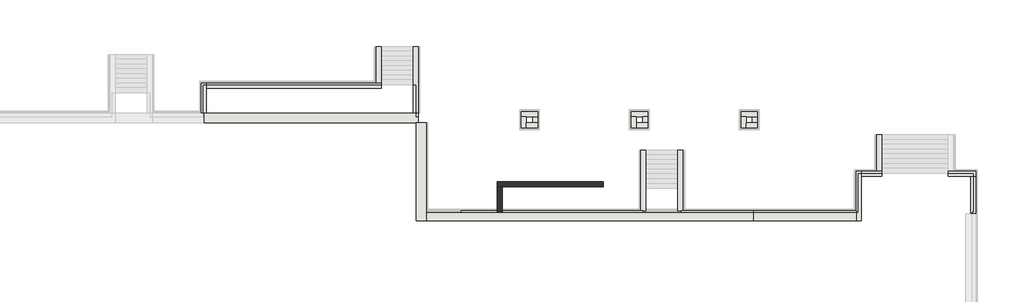
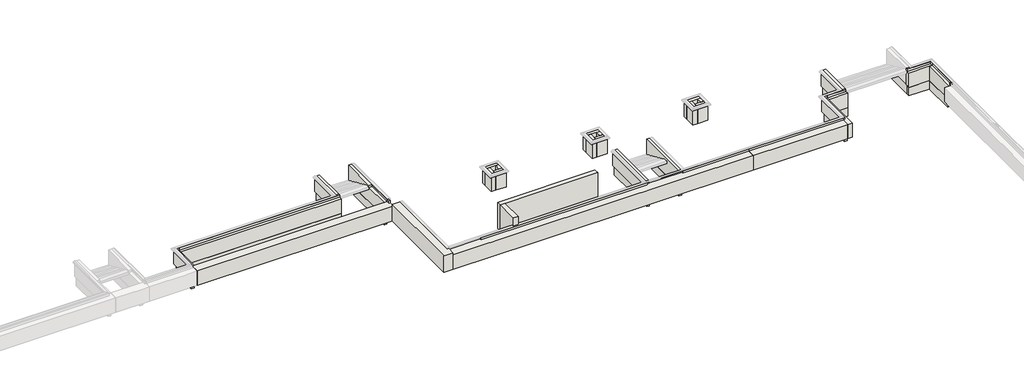
# One storey, part 3 of 10: 41 walls.
"""IFC4 building model written with IfcOpenShell, lengths in millimetres."""

from ifc_helpers import new_model, si_unit, frame, origin, place, context, project, spatial, polyline, outline, extrude, faceted_brep, element, save

model = new_model("IFC4")

# Units and contexts
model_context = context("Model", 3, world=origin())
ifc_project = project(units=[si_unit("LENGTHUNIT", "METRE", prefix="MILLI")], contexts=[model_context])

# Site, building, storey
site = spatial("IfcSite", under=ifc_project)
building = spatial("IfcBuilding", under=site)
storey = spatial("IfcBuildingStorey", under=building, Elevation=-1200.0)

# Walls
placement = place(None, origin())
element("IfcWall", 1, at=placement, inside=storey, context=model_context, shape_type="Brep", body=[
    faceted_brep([(14710.0112841, 6393.1079487, -1200.0), (14710.0112841, 878.1079487, -1200.0), (14710.0112841, 268.1079487, -1200.0), (14710.0112841, 268.1079487, 0.0), (14710.0112841, 318.1079487, 0.0), (14710.0112841, 828.1079487, 0.0), (14710.0112841, 6393.1079487, 0.0), (15320.0112841, 268.1079487, -1200.0), (15320.0112841, 878.1079487, -1200.0), (15320.0112841, 6393.1079487, -1200.0), (15320.0112841, 6393.1079487, -1100.0), (15320.0112841, 6393.1079487, -150.0), (15320.0112841, 6393.1079487, 0.0), (15320.0112841, 878.1079487, 0.0), (15320.0112841, 778.1079487, 0.0), (15320.0112841, 268.1079487, 0.0), (15320.0112841, 268.1079487, -160.0), (14810.0112841, 6393.1079487, -1200.0), (14810.0112841, 268.1079487, 0.0), (15010.0112841, 268.1079487, 0.0), (15220.0112841, 6393.1079487, 0.0)], [[[0, 1, 2, 3, 4, 5, 6]], [[7, 8, 9, 10, 11, 12, 13, 14, 15, 16]], [[2, 1, 0, 17, 9, 8, 7]], [[6, 5, 4, 3, 18, 19, 15, 14, 13, 12, 20]], [[0, 6, 20, 12, 11, 10, 9, 17]], [[3, 2, 7, 16, 15, 19, 18]]]),
])
element("IfcWall", 2, at=placement, inside=storey, context=model_context, shape_type="Brep", body=[
    faceted_brep([(15320.0112841, 268.1079487, -1200.0), (20720.0112841, 268.1079487, -1200.0), (21430.0112841, 268.1079487, -1200.0), (35865.0112841, 268.1079487, -1200.0), (35865.0112841, 268.1079487, -160.0), (15320.0112841, 268.1079487, -160.0), (35865.0112841, 878.1079487, -1200.0), (31320.0112841, 878.1079487, -1200.0), (31120.0112841, 878.1079487, -1200.0), (29120.0112841, 878.1079487, -1200.0), (28920.0112841, 878.1079487, -1200.0), (21430.0112841, 878.1079487, -1200.0), (20720.0112841, 878.1079487, -1200.0), (15320.0112841, 878.1079487, -1200.0), (15320.0112841, 878.1079487, -160.0), (17530.0112841, 878.1079487, -160.0), (17530.0112841, 878.1079487, -150.0), (17530.0112841, 878.1079487, 0.0), (19790.0112841, 878.1079487, 0.0), (20100.0112841, 878.1079487, 0.0), (28810.0112841, 878.1079487, 0.0), (28910.0112841, 878.1079487, 0.0), (28910.0112841, 878.1079487, -150.0), (28910.0112841, 878.1079487, -160.0), (31330.0112841, 878.1079487, -160.0), (31330.0112841, 878.1079487, -150.0), (31330.0112841, 878.1079487, 0.0), (31430.0112841, 878.1079487, 0.0), (35865.0112841, 878.1079487, 0.0), (35865.0112841, 878.1079487, -150.0), (35865.0112841, 878.1079487, -1100.0), (35865.0112841, 793.1079487, 0.0), (35865.0112841, 793.1079487, -160.0), (17530.0112841, 793.1079487, 0.0), (28910.0112841, 793.1079487, 0.0), (31330.0112841, 793.1079487, 0.0), (28910.0112841, 793.1079487, -160.0), (17530.0112841, 793.1079487, -160.0), (31330.0112841, 793.1079487, -160.0)], [[[0, 1, 2, 3, 4, 5]], [[6, 7, 8, 9, 10, 11, 12, 13, 14, 15, 16, 17, 18, 19, 20, 21, 22, 23, 24, 25, 26, 27, 28, 29, 30]], [[3, 2, 1, 0, 13, 12, 11, 10, 9, 8, 7, 6]], [[3, 6, 30, 29, 28, 31, 32, 4]], [[21, 20, 19, 18, 17, 33, 34]], [[28, 27, 26, 35, 31]], [[36, 37, 15, 14, 5, 4, 32, 38, 24, 23]], [[37, 36, 34, 33]], [[37, 33, 17, 16, 15]], [[34, 36, 23, 22, 21]], [[38, 35, 26, 25, 24]], [[35, 38, 32, 31]], [[13, 0, 5, 14]]]),
])
element("IfcWall", 3, at=placement, inside=storey, context=model_context, shape_type="Brep", body=[
    faceted_brep([(35865.0112841, 268.1079487, -1200.0), (42322.0213854, 268.1079487, -1200.0), (42322.0213854, 268.1079487, -160.0), (35865.0112841, 268.1079487, -160.0), (42322.0213854, 878.1079487, -1200.0), (35865.0112841, 878.1079487, -1200.0), (35865.0112841, 878.1079487, -1100.0), (35865.0112841, 878.1079487, -150.0), (35865.0112841, 878.1079487, 0.0), (42322.0213854, 878.1079487, 0.0), (42322.0213854, 878.1079487, -150.0), (42322.0213854, 878.1079487, -1100.0), (35865.0112841, 793.1079487, 0.0), (42322.0213854, 793.1079487, 0.0), (35865.0112841, 793.1079487, -160.0), (42322.0213854, 793.1079487, -160.0)], [[[0, 1, 2, 3]], [[4, 5, 6, 7, 8, 9, 10, 11]], [[1, 0, 5, 4]], [[9, 8, 12, 13]], [[5, 0, 3, 14, 12, 8, 7, 6]], [[15, 14, 3, 2]], [[1, 4, 11, 10, 9, 13, 15, 2]], [[14, 15, 13, 12]]]),
])
element("IfcWall", 4, at=placement, inside=storey, context=model_context, shape_type="Brep", body=[
    faceted_brep([(48106.0163347, 3048.1270954, -1800.0), (49510.0112841, 3048.1270954, -1800.0), (49510.0112841, 3048.1270954, -1200.0), (48106.0163347, 3048.1270954, -1200.0), (48106.0163347, 3248.1270954, -1800.0), (48106.0163347, 3248.1270954, -1200.0), (48306.0163347, 3248.1270954, -1200.0), (49510.0112841, 3248.1270954, -1200.0), (49510.0112841, 3248.1270954, -1800.0), (48306.0163347, 3248.1270954, -1800.0)], [[[0, 1, 2, 3]], [[4, 5, 6, 7, 8, 9]], [[1, 0, 4, 9, 8]], [[3, 2, 7, 6, 5]], [[2, 1, 8, 7]], [[0, 3, 5, 4]]]),
])
element("IfcWall", 5, at=placement, inside=storey, context=model_context, shape_type="Brep", body=[
    faceted_brep([(49820.0112841, 3048.1270954, 0.0), (49720.0112841, 3048.1270954, 0.0), (49707.0213854, 3048.1270954, 0.0), (49707.0213854, 3048.1270954, -160.0), (49510.0112841, 3048.1270954, -160.0), (48106.0163347, 3048.1270954, -160.0), (48106.0163347, 3048.1270954, -1200.0), (49510.0112841, 3048.1270954, -1200.0), (49710.0112841, 3048.1270954, -1200.0), (49710.0112841, 3048.1270954, -1100.0), (49820.0112841, 3048.1270954, -1105.5), (49820.0112841, 3048.1270954, -150.0), (49820.0112841, 3358.1270954, -1105.5), (48416.0163347, 3358.1270954, -1105.5), (48306.0163347, 3358.1270954, -1100.0), (48306.0163347, 3358.1270954, -1200.0), (48106.0163347, 3358.1270954, -1200.0), (48106.0163347, 3358.1270954, 0.0), (48316.0163347, 3358.1270954, 0.0), (48416.0163347, 3358.1270954, 0.0), (49820.0112841, 3358.1270954, 0.0), (49820.0112841, 3358.1270954, -150.0), (48306.0163347, 3248.1270954, -1200.0), (49510.0112841, 3248.1270954, -1200.0), (49710.0112841, 3248.1270954, -1200.0), (48106.0163347, 3248.1270954, -1200.0), (48106.0163347, 3248.1079487, 0.0), (49707.0213854, 3248.1079487, 0.0), (48306.0163347, 3248.1270954, -1100.0), (49710.0112841, 3248.1270954, -1100.0), (49707.0213854, 3248.1079487, -160.0), (48106.0163347, 3248.1079487, -160.0)], [[[0, 1, 2, 3, 4, 5, 6, 7, 8, 9, 10, 11]], [[12, 13, 14, 15, 16, 17, 18, 19, 20, 21]], [[22, 23, 24, 8, 7, 6, 25, 16, 15]], [[1, 0, 20, 19, 18, 17, 26, 27, 2]], [[28, 29, 24, 23, 22]], [[29, 28, 13, 12]], [[13, 28, 14]], [[28, 22, 15, 14]], [[20, 0, 11, 10, 12, 21]], [[24, 29, 9, 8]], [[29, 12, 10, 9]], [[3, 30, 31, 5, 4]], [[30, 27, 26, 31]], [[27, 30, 3, 2]], [[17, 16, 25, 6, 5, 31, 26]]]),
])
element("IfcWall", 6, at=placement, inside=storey, context=model_context, shape_type="Brep", body=[
    faceted_brep([(42632.0213854, 878.1079487, -1800.0), (42632.0213854, 3048.1270954, -1800.0), (42632.0213854, 3248.1270954, -1800.0), (42632.0213854, 3248.1270954, -1200.0), (42632.0213854, 3048.1270954, -1200.0), (42632.0213854, 878.1079487, -1200.0), (42432.0213854, 878.1079487, -1800.0), (42432.0213854, 878.1079487, -1200.0), (42432.0213854, 3248.1270954, -1200.0), (42432.0213854, 3248.1270954, -1800.0)], [[[0, 1, 2, 3, 4, 5]], [[6, 7, 8, 9]], [[2, 1, 0, 6, 9]], [[5, 4, 3, 8, 7]], [[3, 2, 9, 8]], [[0, 5, 7, 6]]]),
])
element("IfcWall", 7, at=placement, inside=storey, context=model_context, shape_type="Brep", body=[
    faceted_brep([(42632.0213854, 3358.1270954, -150.0), (42632.0213854, 3358.1270954, 0.0), (42632.0213854, 3258.1270954, 0.0), (42632.0213854, 3248.1079487, 0.0), (42632.0213854, 3248.1079487, -160.0), (42632.0213854, 3048.1270954, -160.0), (42632.0213854, 268.1079487, -160.0), (42632.0213854, 268.1079487, -1200.0), (42632.0213854, 878.1079487, -1200.0), (42632.0213854, 3048.1270954, -1200.0), (42632.0213854, 3248.1270954, -1200.0), (42632.0213854, 3248.1270954, -1100.0), (42632.0213854, 3358.1270954, -1105.5), (42322.0213854, 3358.1270954, -1105.5), (42322.0213854, 988.1079487, -1105.5), (42322.0213854, 878.1079487, -1100.0), (42322.0213854, 878.1079487, -1200.0), (42322.0213854, 268.1079487, -1200.0), (42322.0213854, 268.1079487, -160.0), (42322.0213854, 793.1079487, -160.0), (42322.0213854, 793.1079487, 0.0), (42322.0213854, 878.1079487, 0.0), (42322.0213854, 3358.1270954, 0.0), (42322.0213854, 3358.1270954, -150.0), (42432.0213854, 878.1079487, -1200.0), (42432.0213854, 3248.1270954, -1200.0), (42432.0213854, 793.1079487, 0.0), (42432.0213854, 3248.1079487, 0.0), (42432.0213854, 878.1079487, -1100.0), (42432.0213854, 3248.1270954, -1100.0), (42432.0213854, 3248.1079487, -160.0), (42432.0213854, 793.1079487, -160.0)], [[[0, 1, 2, 3, 4, 5, 6, 7, 8, 9, 10, 11, 12]], [[13, 14, 15, 16, 17, 18, 19, 20, 21, 22, 23]], [[24, 25, 10, 9, 8, 7, 17, 16]], [[1, 22, 21, 20, 26, 27, 3, 2]], [[28, 29, 25, 24]], [[29, 28, 14, 13]], [[22, 1, 0, 12, 13, 23]], [[25, 29, 11, 10]], [[29, 13, 12, 11]], [[14, 28, 15]], [[28, 24, 16, 15]], [[17, 7, 6, 18]], [[30, 31, 19, 18, 6, 5, 4]], [[31, 30, 27, 26]], [[27, 30, 4, 3]], [[31, 26, 20, 19]]]),
])
element("IfcWall", 8, at=placement, inside=storey, context=model_context, shape_type="Brep", body=[
    faceted_brep([(43926.0163347, 3248.1270954, -1800.0), (43726.0163347, 3248.1270954, -1800.0), (42632.0213854, 3248.1270954, -1800.0), (42632.0213854, 3248.1270954, -1200.0), (43726.0163347, 3248.1270954, -1200.0), (43926.0163347, 3248.1270954, -1200.0), (43926.0163347, 3048.1270954, -1800.0), (43926.0163347, 3048.1270954, -1200.0), (42632.0213854, 3048.1270954, -1200.0), (42632.0213854, 3048.1270954, -1800.0)], [[[0, 1, 2, 3, 4, 5]], [[6, 7, 8, 9]], [[2, 1, 0, 6, 9]], [[5, 4, 3, 8, 7]], [[3, 2, 9, 8]], [[0, 5, 7, 6]]]),
])
element("IfcWall", 9, at=placement, inside=storey, context=model_context, shape_type="Brep", body=[
    faceted_brep([(43616.0163347, 3358.1270954, -1105.5), (42632.0213854, 3358.1270954, -1105.5), (42632.0213854, 3358.1270954, -150.0), (42632.0213854, 3358.1270954, 0.0), (43616.0163347, 3358.1270954, 0.0), (43716.0163347, 3358.1270954, 0.0), (43926.0163347, 3358.1270954, 0.0), (43926.0163347, 3358.1270954, -1200.0), (43726.0163347, 3358.1270954, -1200.0), (43726.0163347, 3358.1270954, -1100.0), (42632.0213854, 3048.1270954, -1200.0), (43926.0163347, 3048.1270954, -1200.0), (43926.0163347, 3048.1270954, -160.0), (42632.0213854, 3048.1270954, -160.0), (42632.0213854, 3248.1270954, -1200.0), (43726.0163347, 3248.1270954, -1200.0), (43926.0163347, 3248.1270954, -1200.0), (42632.0213854, 3258.1270954, 0.0), (42632.0213854, 3248.1079487, 0.0), (43926.0163347, 3248.1079487, 0.0), (43726.0163347, 3248.1270954, -1100.0), (42632.0213854, 3248.1270954, -1100.0), (42632.0213854, 3248.1079487, -160.0), (43926.0163347, 3248.1079487, -160.0)], [[[0, 1, 2, 3, 4, 5, 6, 7, 8, 9]], [[10, 11, 12, 13]], [[11, 10, 14, 15, 8, 7, 16]], [[3, 17, 18, 19, 6, 5, 4]], [[20, 15, 14, 21]], [[0, 20, 21, 1]], [[3, 2, 1, 21, 14, 10, 13, 22, 18, 17]], [[20, 0, 9]], [[15, 20, 9, 8]], [[7, 6, 19, 23, 12, 11, 16]], [[23, 22, 13, 12]], [[22, 23, 19, 18]]]),
])
element("IfcWall", 10, at=placement, inside=storey, context=model_context, shape_type="Brep", body=[
    faceted_brep([(43926.0163347, 3248.1270954, -1800.0), (43926.0163347, 5668.1079487, -1800.0), (43926.0163347, 5668.1079487, -1200.0), (43926.0163347, 3358.1270954, -1200.0), (43926.0163347, 3248.1270954, -1200.0), (43726.0163347, 3248.1270954, -1800.0), (43726.0163347, 3248.1270954, -1200.0), (43726.0163347, 3358.1270954, -1200.0), (43726.0163347, 5668.1079487, -1200.0), (43726.0163347, 5668.1079487, -1800.0)], [[[0, 1, 2, 3, 4]], [[5, 6, 7, 8, 9]], [[1, 0, 5, 9]], [[2, 1, 9, 8]], [[4, 3, 2, 8, 7, 6]], [[0, 4, 6, 5]]]),
])
element("IfcWall", 11, at=placement, inside=storey, context=model_context, shape_type="Brep", body=[
    faceted_brep([(43926.0163347, 3358.1270954, -1200.0), (43926.0163347, 5668.1079487, -1200.0), (43926.0163347, 5668.1079487, 0.0), (43926.0163347, 3358.1270954, 0.0), (43616.0163347, 3358.1270954, 0.0), (43616.0163347, 5668.1079487, 0.0), (43616.0163347, 5668.1079487, -150.0), (43616.0163347, 5668.1079487, -1105.5), (43616.0163347, 3358.1270954, -1105.5), (43616.0163347, 3358.1270954, -150.0), (43726.0163347, 3358.1270954, -1200.0), (43726.0163347, 5668.1079487, -1200.0), (43726.0163347, 5668.1079487, -1100.0), (43716.0163347, 5668.1079487, 0.0), (43716.0163347, 3358.1270954, 0.0), (43726.0163347, 3358.1270954, -1100.0)], [[[0, 1, 2, 3]], [[4, 5, 6, 7, 8, 9]], [[1, 0, 10, 11]], [[2, 1, 11, 12, 7, 6, 5, 13]], [[3, 2, 13, 5, 4, 14]], [[15, 12, 11, 10]], [[12, 15, 8, 7]], [[0, 3, 14, 4, 9, 8, 15, 10]]]),
])
element("IfcWall", 12, at=placement, inside=storey, context=model_context, shape_type="Brep", body=[
    faceted_brep([(49710.0112841, 878.1079487, -1800.0), (49710.0112841, 3248.1270954, -1800.0), (49710.0112841, 3248.1270954, -1200.0), (49710.0112841, 3048.1270954, -1200.0), (49710.0112841, 878.1079487, -1200.0), (49510.0112841, 878.1079487, -1800.0), (49510.0112841, 878.1079487, -1200.0), (49510.0112841, 3048.1270954, -1200.0), (49510.0112841, 3248.1270954, -1200.0), (49510.0112841, 3248.1270954, -1800.0), (49510.0112841, 3048.1270954, -1800.0)], [[[0, 1, 2, 3, 4]], [[5, 6, 7, 8, 9, 10]], [[1, 0, 5, 10, 9]], [[4, 3, 2, 8, 7, 6]], [[2, 1, 9, 8]], [[0, 4, 6, 5]]]),
])
element("IfcWall", 13, at=placement, inside=storey, context=model_context, shape_type="Brep", body=[
    faceted_brep([(49820.0112841, 573.1079487, 0.0), (49820.0112841, 573.1079487, -150.0), (49820.0112841, 573.1079487, -1105.5), (49820.0112841, 3048.1270954, -1105.5), (49820.0112841, 3048.1270954, -150.0), (49820.0112841, 3048.1270954, 0.0), (49820.0112841, 698.1079487, 0.0), (49510.0112841, 3048.1270954, -1200.0), (49510.0112841, 878.1079487, -1200.0), (49510.0112841, 573.1079487, -1200.0), (49510.0112841, 573.1079487, -160.0), (49510.0112841, 3048.1270954, -160.0), (49710.0112841, 3048.1270954, -1200.0), (49710.0112841, 878.1079487, -1200.0), (49710.0112841, 573.1079487, -1200.0), (49720.0112841, 573.1079487, 0.0), (49720.0112841, 3048.1270954, 0.0), (49707.0213854, 3048.1270954, 0.0), (49707.0213854, 793.1079487, 0.0), (49610.0112841, 793.1079487, 0.0), (49610.0112841, 573.1079487, 0.0), (49610.0112841, 573.1079487, -160.0), (49710.0112841, 573.1079487, -1100.0), (49710.0112841, 3048.1270954, -1100.0), (49707.0213854, 3048.1270954, -160.0), (49610.0112841, 793.1079487, -160.0), (49707.0213854, 793.1079487, -160.0)], [[[0, 1, 2, 3, 4, 5, 6]], [[7, 8, 9, 10, 11]], [[9, 8, 7, 12, 13, 14]], [[15, 0, 6, 5, 16, 17, 18, 19, 20]], [[1, 0, 15, 20, 21, 10, 9, 14, 22, 2]], [[3, 2, 22, 23]], [[14, 13, 12, 23, 22]], [[5, 4, 3, 23, 12, 7, 11, 24, 17, 16]], [[25, 26, 24, 11, 10, 21]], [[19, 25, 21, 20]], [[26, 18, 17, 24]], [[26, 25, 19, 18]]]),
])
element("IfcWall", 14, at=placement, inside=storey, context=model_context, shape_type="Brep", body=[
    faceted_brep([(1520.0112841, 7003.1079487, -1800.0), (1520.0112841, 8583.1079487, -1800.0), (1520.0112841, 8583.1079487, -1200.0), (1520.0112841, 7003.1079487, -1200.0), (1320.0112841, 7003.1079487, -1800.0), (1320.0112841, 7003.1079487, -1200.0), (1320.0112841, 8043.1079487, -1200.0), (1320.0112841, 8583.1079487, -1200.0), (1320.0112841, 8583.1079487, -1800.0), (1365.0112841, 7003.1079487, -1200.0)], [[[0, 1, 2, 3]], [[4, 5, 6, 7, 8]], [[1, 0, 4, 8]], [[3, 2, 7, 6, 5, 9]], [[2, 1, 8, 7]], [[0, 3, 9, 5, 4]]]),
])
element("IfcWall", 15, at=placement, inside=storey, context=model_context, shape_type="Brep", body=[
    faceted_brep([(1520.0112841, 8893.1079487, 0.0), (1520.0112841, 8793.1079487, 0.0), (1520.0112841, 8793.1079487, -160.0), (1520.0112841, 8583.1079487, -160.0), (1520.0112841, 7003.1079487, -160.0), (1520.0112841, 7003.1079487, -1200.0), (1520.0112841, 8583.1079487, -1200.0), (1520.0112841, 8783.1079487, -1200.0), (1520.0112841, 8783.1079487, -1100.0), (1520.0112841, 8893.1079487, -1105.5), (1520.0112841, 8893.1079487, -150.0), (1210.0112841, 7003.1079487, 0.0), (1210.0112841, 8893.1079487, 0.0), (1210.0112841, 8893.1079487, -150.0), (1210.0112841, 8893.1079487, -1105.5), (1210.0112841, 7113.1079487, -1105.5), (1210.0112841, 7003.1079487, -1100.0), (1210.0112841, 7003.1079487, -150.0), (1365.0112841, 7003.1079487, -1200.0), (1365.0112841, 8043.1079487, -1200.0), (1320.0112841, 8043.1079487, -1200.0), (1320.0112841, 8583.1079487, -1200.0), (1320.0112841, 8783.1079487, -1200.0), (1310.0112841, 7003.1079487, 0.0), (1310.0112841, 8793.1079487, 0.0), (1320.0112841, 7003.1079487, -1100.0), (1320.0112841, 8783.1079487, -1100.0), (1320.0112841, 8043.1079487, -1165.0), (1320.0112841, 8030.6079487, -1143.3493649), (1320.0112841, 8003.1079487, -1143.3493649), (1320.0112841, 8003.1079487, -1150.0), (1310.0112841, 8793.1079487, -160.0), (1310.0112841, 7003.1079487, -160.0), (1365.0112841, 7003.1079487, -160.0), (1365.0112841, 7003.1079487, -1100.0), (1365.0112841, 8030.6079487, -1143.3493649), (1365.0112841, 8043.1079487, -1165.0), (1365.0112841, 8003.1079487, -1150.0), (1365.0112841, 8003.1079487, -1143.3493649)], [[[0, 1, 2, 3, 4, 5, 6, 7, 8, 9, 10]], [[11, 12, 13, 14, 15, 16, 17]], [[7, 6, 5, 18, 19, 20, 21, 22]], [[12, 11, 23, 24, 1, 0]], [[25, 26, 22, 21, 20, 27, 28, 29, 30]], [[26, 25, 15, 14]], [[22, 26, 8, 7]], [[26, 14, 9, 8]], [[12, 0, 10, 9, 14, 13]], [[2, 31, 32, 33, 4, 3]], [[31, 24, 23, 32]], [[24, 31, 2, 1]], [[11, 17, 16, 25, 34, 18, 5, 4, 33, 32, 23]], [[35, 36, 19, 18, 34, 37, 38]], [[37, 34, 25, 30]], [[16, 15, 25]], [[38, 37, 30, 29]], [[35, 38, 29, 28]], [[36, 35, 28, 27]], [[19, 36, 27, 20]]]),
])
element("IfcWall", 16, at=placement, inside=storey, context=model_context, shape_type="Brep", body=[
    faceted_brep([(12500.0112841, 8783.1079487, -1800.0), (12300.0112841, 8783.1079487, -1800.0), (1320.0112841, 8783.1079487, -1800.0), (1320.0112841, 8783.1079487, -1200.0), (1520.0112841, 8783.1079487, -1200.0), (12300.0112841, 8783.1079487, -1200.0), (12500.0112841, 8783.1079487, -1200.0), (12500.0112841, 8583.1079487, -1800.0), (12500.0112841, 8583.1079487, -1200.0), (1520.0112841, 8583.1079487, -1200.0), (1320.0112841, 8583.1079487, -1200.0), (1320.0112841, 8583.1079487, -1800.0), (1520.0112841, 8583.1079487, -1800.0)], [[[0, 1, 2, 3, 4, 5, 6]], [[7, 8, 9, 10, 11, 12]], [[2, 1, 0, 7, 12, 11]], [[6, 5, 4, 3, 10, 9, 8]], [[3, 2, 11, 10]], [[0, 6, 8, 7]]]),
])
element("IfcWall", 17, at=placement, inside=storey, context=model_context, shape_type="Brep", body=[
    faceted_brep([(1520.0112841, 8893.1079487, 0.0), (12190.0112841, 8893.1079487, 0.0), (12290.0112841, 8893.1079487, 0.0), (12500.0112841, 8893.1079487, 0.0), (12500.0112841, 8893.1079487, -1200.0), (12300.0112841, 8893.1079487, -1200.0), (12300.0112841, 8893.1079487, -1100.0), (12190.0112841, 8893.1079487, -1105.5), (1520.0112841, 8893.1079487, -1105.5), (1520.0112841, 8893.1079487, -150.0), (1520.0112841, 8583.1079487, -1200.0), (12500.0112841, 8583.1079487, -1200.0), (12500.0112841, 8583.1079487, -160.0), (1520.0112841, 8583.1079487, -160.0), (1520.0112841, 8783.1079487, -1200.0), (12300.0112841, 8783.1079487, -1200.0), (12500.0112841, 8783.1079487, -1200.0), (1520.0112841, 8793.1079487, 0.0), (12290.0112841, 8793.1079487, 0.0), (12500.0112841, 8793.1079487, 0.0), (12300.0112841, 8783.1079487, -1100.0), (1520.0112841, 8783.1079487, -1100.0), (1520.0112841, 8793.1079487, -160.0), (12500.0112841, 8793.1079487, -160.0)], [[[0, 1, 2, 3, 4, 5, 6, 7, 8, 9]], [[10, 11, 12, 13]], [[11, 10, 14, 15, 5, 4, 16]], [[1, 0, 17, 18, 19, 3, 2]], [[20, 15, 14, 21]], [[7, 20, 21, 8]], [[20, 7, 6]], [[15, 20, 6, 5]], [[0, 9, 8, 21, 14, 10, 13, 22, 17]], [[4, 3, 19, 23, 12, 11, 16]], [[23, 22, 13, 12]], [[22, 23, 19, 18, 17]]]),
])
element("IfcWall", 18, at=placement, inside=storey, context=model_context, shape_type="SweptSolid", body=[
    extrude(outline(polyline([(14700.0112841, 11193.1079487), (14700.0112841, 7003.1079487), (14500.0112841, 7003.1079487), (14500.0112841, 11193.1079487), (14700.0112841, 11193.1079487)])), frame((0.0, 0.0, -1800.0), z_axis=(0.0, 0.0, 1.0), x_axis=(1.0, 0.0, 0.0)), (0.0, 0.0, 1.0), 600.0),
])
element("IfcWall", 19, at=placement, inside=storey, context=model_context, shape_type="Brep", body=[
    faceted_brep([(14810.0112841, 11193.1079487, 0.0), (14810.0112841, 7003.1079487, 0.0), (14810.0112841, 7003.1079487, -150.0), (14810.0112841, 7003.1079487, -1105.5), (14810.0112841, 11193.1079487, -1105.5), (14810.0112841, 11193.1079487, -150.0), (14500.0112841, 11193.1079487, -1200.0), (14500.0112841, 7003.1079487, -1200.0), (14500.0112841, 7003.1079487, -160.0), (14500.0112841, 8793.1079487, -160.0), (14500.0112841, 8793.1079487, 0.0), (14500.0112841, 11193.1079487, 0.0), (14700.0112841, 11193.1079487, -1200.0), (14700.0112841, 7003.1079487, -1200.0), (14710.0112841, 11193.1079487, 0.0), (14700.0112841, 11193.1079487, -1100.0), (14710.0112841, 8793.1079487, 0.0), (14710.0112841, 7003.1079487, 0.0), (14700.0112841, 7003.1079487, -1100.0), (14710.0112841, 7003.1079487, -160.0), (14710.0112841, 8793.1079487, -160.0)], [[[0, 1, 2, 3, 4, 5]], [[6, 7, 8, 9, 10, 11]], [[7, 6, 12, 13]], [[6, 11, 14, 0, 5, 4, 15, 12]], [[1, 0, 14, 11, 10, 16, 17]], [[13, 12, 15, 18]], [[15, 4, 3, 18]], [[19, 20, 9, 8]], [[20, 16, 10, 9]], [[16, 20, 19, 17]], [[2, 1, 17, 19, 8, 7, 13, 18, 3]]]),
])
element("IfcWall", 20, at=placement, inside=storey, context=model_context, shape_type="Brep", body=[
    faceted_brep([(12500.0112841, 8783.1079487, -1800.0), (12500.0112841, 11193.1079487, -1800.0), (12500.0112841, 11193.1079487, -1200.0), (12500.0112841, 8893.1079487, -1200.0), (12500.0112841, 8783.1079487, -1200.0), (12300.0112841, 8783.1079487, -1800.0), (12300.0112841, 8783.1079487, -1200.0), (12300.0112841, 8893.1079487, -1200.0), (12300.0112841, 11193.1079487, -1200.0), (12300.0112841, 11193.1079487, -1800.0)], [[[0, 1, 2, 3, 4]], [[5, 6, 7, 8, 9]], [[1, 0, 5, 9]], [[2, 1, 9, 8]], [[4, 3, 2, 8, 7, 6]], [[0, 4, 6, 5]]]),
])
element("IfcWall", 21, at=placement, inside=storey, context=model_context, shape_type="Brep", body=[
    faceted_brep([(12500.0112841, 8893.1079487, -1200.0), (12500.0112841, 11193.1079487, -1200.0), (12500.0112841, 11193.1079487, 0.0), (12500.0112841, 8893.1079487, 0.0), (12190.0112841, 8893.1079487, 0.0), (12190.0112841, 11193.1079487, 0.0), (12190.0112841, 11193.1079487, -150.0), (12190.0112841, 11193.1079487, -1105.5), (12190.0112841, 8893.1079487, -1105.5), (12190.0112841, 8893.1079487, -150.0), (12300.0112841, 8893.1079487, -1200.0), (12300.0112841, 11193.1079487, -1200.0), (12300.0112841, 11193.1079487, -1100.0), (12290.0112841, 11193.1079487, 0.0), (12290.0112841, 8893.1079487, 0.0), (12300.0112841, 8893.1079487, -1100.0)], [[[0, 1, 2, 3]], [[4, 5, 6, 7, 8, 9]], [[1, 0, 10, 11]], [[2, 1, 11, 12, 7, 6, 5, 13]], [[3, 2, 13, 5, 4, 14]], [[15, 12, 11, 10]], [[12, 15, 8, 7]], [[0, 3, 14, 4, 9, 8, 15, 10]]]),
])
element("IfcWall", 22, at=placement, inside=storey, context=model_context, shape_type="Brep", body=[
    faceted_brep([(1365.0112841, 6393.1079487, -1200.0), (14710.0112841, 6393.1079487, -1200.0), (14810.0112841, 6393.1079487, -1200.0), (14810.0112841, 6393.1079487, -160.0), (1365.0112841, 6393.1079487, -160.0), (14810.0112841, 7003.1079487, -1200.0), (14700.0112841, 7003.1079487, -1200.0), (14500.0112841, 7003.1079487, -1200.0), (1520.0112841, 7003.1079487, -1200.0), (1365.0112841, 7003.1079487, -1200.0), (1365.0112841, 7003.1079487, -1100.0), (1365.0112841, 7003.1079487, -160.0), (1520.0112841, 7003.1079487, -160.0), (14500.0112841, 7003.1079487, -160.0), (14710.0112841, 7003.1079487, -160.0), (14710.0112841, 7003.1079487, 0.0), (14810.0112841, 7003.1079487, 0.0), (14810.0112841, 7003.1079487, -1105.5), (14710.0112841, 6793.1079487, 0.0), (14810.0112841, 6793.1079487, 0.0), (14810.0112841, 6793.1079487, -160.0), (14710.0112841, 6793.1079487, -160.0)], [[[0, 1, 2, 3, 4]], [[5, 6, 7, 8, 9, 10, 11, 12, 13, 14, 15, 16, 17]], [[2, 1, 0, 9, 8, 7, 6, 5]], [[16, 15, 18, 19]], [[9, 0, 4, 11, 10]], [[20, 21, 14, 13, 12, 11, 4, 3]], [[21, 18, 15, 14]], [[18, 21, 20, 19]], [[2, 5, 17, 16, 19, 20, 3]]]),
])
element("IfcWall", 23, at=placement, inside=storey, context=model_context, shape_type="Brep", body=[
    faceted_brep([(21300.0112841, 6793.1079487, -1200.0), (21610.0112841, 6793.1079487, -1200.0), (22010.0112841, 6793.1079487, -1200.0), (22320.0112841, 6793.1079487, -1200.0), (22320.0112841, 6793.1079487, -1100.0), (22320.0112841, 6793.1079487, -150.0), (22320.0112841, 6793.1079487, 0.0), (22220.0112841, 6793.1079487, 0.0), (22010.0112841, 6793.1079487, 0.0), (21610.0112841, 6793.1079487, 0.0), (21400.0112841, 6793.1079487, 0.0), (21300.0112841, 6793.1079487, 0.0), (21300.0112841, 6793.1079487, -150.0), (21300.0112841, 6793.1079487, -1100.0), (22320.0112841, 7103.1079487, -1200.0), (21300.0112841, 7103.1079487, -1200.0), (21300.0112841, 7103.1079487, -1100.0), (21300.0112841, 7103.1079487, -150.0), (21300.0112841, 7103.1079487, 0.0), (22320.0112841, 7103.1079487, 0.0), (22320.0112841, 7103.1079487, -150.0), (22320.0112841, 7103.1079487, -1100.0)], [[[0, 1, 2, 3, 4, 5, 6, 7, 8, 9, 10, 11, 12, 13]], [[14, 15, 16, 17, 18, 19, 20, 21]], [[3, 2, 1, 0, 15, 14]], [[19, 18, 11, 10, 9, 8, 7, 6]], [[11, 18, 17, 16, 15, 0, 13, 12]], [[3, 14, 21, 20, 19, 6, 5, 4]]]),
])
element("IfcWall", 24, at=placement, inside=storey, context=model_context, shape_type="Brep", body=[
    faceted_brep([(21300.0112841, 6793.1079487, -1200.0), (21300.0112841, 6083.1079487, -1200.0), (21300.0112841, 6083.1079487, -1100.0), (21300.0112841, 6083.1079487, -150.0), (21300.0112841, 6083.1079487, 0.0), (21300.0112841, 6793.1079487, 0.0), (21300.0112841, 6793.1079487, -150.0), (21300.0112841, 6793.1079487, -1100.0), (21610.0112841, 6083.1079487, -1200.0), (21610.0112841, 6393.1079487, -1200.0), (21610.0112841, 6793.1079487, -1200.0), (21610.0112841, 6793.1079487, 0.0), (21610.0112841, 6393.1079487, 0.0), (21610.0112841, 6183.1079487, 0.0), (21610.0112841, 6083.1079487, 0.0), (21610.0112841, 6083.1079487, -150.0), (21610.0112841, 6083.1079487, -1100.0), (21400.0112841, 6793.1079487, 0.0)], [[[0, 1, 2, 3, 4, 5, 6, 7]], [[8, 9, 10, 11, 12, 13, 14, 15, 16]], [[1, 0, 10, 9, 8]], [[5, 4, 14, 13, 12, 11, 17]], [[11, 10, 0, 7, 6, 5, 17]], [[1, 8, 16, 15, 14, 4, 3, 2]]]),
])
element("IfcWall", 25, at=placement, inside=storey, context=model_context, shape_type="Brep", body=[
    faceted_brep([(22320.0112841, 6393.1079487, -1200.0), (22010.0112841, 6393.1079487, -1200.0), (21610.0112841, 6393.1079487, -1200.0), (21610.0112841, 6393.1079487, 0.0), (22010.0112841, 6393.1079487, 0.0), (22220.0112841, 6393.1079487, 0.0), (22320.0112841, 6393.1079487, 0.0), (22320.0112841, 6393.1079487, -150.0), (22320.0112841, 6393.1079487, -1100.0), (21610.0112841, 6083.1079487, -1200.0), (22320.0112841, 6083.1079487, -1200.0), (22320.0112841, 6083.1079487, -1100.0), (22320.0112841, 6083.1079487, -150.0), (22320.0112841, 6083.1079487, 0.0), (21610.0112841, 6083.1079487, 0.0), (21610.0112841, 6083.1079487, -150.0), (21610.0112841, 6083.1079487, -1100.0), (21610.0112841, 6183.1079487, 0.0)], [[[0, 1, 2, 3, 4, 5, 6, 7, 8]], [[9, 10, 11, 12, 13, 14, 15, 16]], [[2, 1, 0, 10, 9]], [[14, 13, 6, 5, 4, 3, 17]], [[3, 2, 9, 16, 15, 14, 17]], [[6, 13, 12, 11, 10, 0, 8, 7]]]),
])
element("IfcWall", 26, at=placement, inside=storey, context=model_context, shape_type="Brep", body=[
    faceted_brep([(22010.0112841, 6793.1079487, -1200.0), (22010.0112841, 6393.1079487, -1200.0), (22010.0112841, 6393.1079487, 0.0), (22010.0112841, 6793.1079487, 0.0), (22320.0112841, 6393.1079487, -1200.0), (22320.0112841, 6793.1079487, -1200.0), (22320.0112841, 6793.1079487, -1100.0), (22320.0112841, 6793.1079487, -150.0), (22320.0112841, 6793.1079487, 0.0), (22320.0112841, 6393.1079487, 0.0), (22320.0112841, 6393.1079487, -150.0), (22320.0112841, 6393.1079487, -1100.0), (22220.0112841, 6393.1079487, 0.0), (22220.0112841, 6793.1079487, 0.0)], [[[0, 1, 2, 3]], [[4, 5, 6, 7, 8, 9, 10, 11]], [[1, 0, 5, 4]], [[3, 2, 12, 9, 8, 13]], [[0, 3, 13, 8, 7, 6, 5]], [[2, 1, 4, 11, 10, 9, 12]]]),
])
element("IfcWall", 27, at=placement, inside=storey, context=model_context, shape_type="Brep", body=[
    faceted_brep([(28200.0112841, 6793.1079487, -1200.0), (28510.0112841, 6793.1079487, -1200.0), (28910.0112841, 6793.1079487, -1200.0), (29220.0112841, 6793.1079487, -1200.0), (29220.0112841, 6793.1079487, -1100.0), (29220.0112841, 6793.1079487, -150.0), (29220.0112841, 6793.1079487, 0.0), (29120.0112841, 6793.1079487, 0.0), (28910.0112841, 6793.1079487, 0.0), (28510.0112841, 6793.1079487, 0.0), (28300.0112841, 6793.1079487, 0.0), (28200.0112841, 6793.1079487, 0.0), (28200.0112841, 6793.1079487, -150.0), (28200.0112841, 6793.1079487, -1100.0), (29220.0112841, 7103.1079487, -1200.0), (28200.0112841, 7103.1079487, -1200.0), (28200.0112841, 7103.1079487, -1100.0), (28200.0112841, 7103.1079487, -150.0), (28200.0112841, 7103.1079487, 0.0), (29220.0112841, 7103.1079487, 0.0), (29220.0112841, 7103.1079487, -150.0), (29220.0112841, 7103.1079487, -1100.0)], [[[0, 1, 2, 3, 4, 5, 6, 7, 8, 9, 10, 11, 12, 13]], [[14, 15, 16, 17, 18, 19, 20, 21]], [[3, 2, 1, 0, 15, 14]], [[19, 18, 11, 10, 9, 8, 7, 6]], [[11, 18, 17, 16, 15, 0, 13, 12]], [[3, 14, 21, 20, 19, 6, 5, 4]]]),
])
element("IfcWall", 28, at=placement, inside=storey, context=model_context, shape_type="Brep", body=[
    faceted_brep([(28200.0112841, 6793.1079487, -1200.0), (28200.0112841, 6083.1079487, -1200.0), (28200.0112841, 6083.1079487, -1100.0), (28200.0112841, 6083.1079487, -150.0), (28200.0112841, 6083.1079487, 0.0), (28200.0112841, 6793.1079487, 0.0), (28200.0112841, 6793.1079487, -150.0), (28200.0112841, 6793.1079487, -1100.0), (28510.0112841, 6083.1079487, -1200.0), (28510.0112841, 6393.1079487, -1200.0), (28510.0112841, 6793.1079487, -1200.0), (28510.0112841, 6793.1079487, 0.0), (28510.0112841, 6393.1079487, 0.0), (28510.0112841, 6183.1079487, 0.0), (28510.0112841, 6083.1079487, 0.0), (28510.0112841, 6083.1079487, -150.0), (28510.0112841, 6083.1079487, -1100.0), (28300.0112841, 6793.1079487, 0.0)], [[[0, 1, 2, 3, 4, 5, 6, 7]], [[8, 9, 10, 11, 12, 13, 14, 15, 16]], [[1, 0, 10, 9, 8]], [[5, 4, 14, 13, 12, 11, 17]], [[11, 10, 0, 7, 6, 5, 17]], [[1, 8, 16, 15, 14, 4, 3, 2]]]),
])
element("IfcWall", 29, at=placement, inside=storey, context=model_context, shape_type="Brep", body=[
    faceted_brep([(29220.0112841, 6393.1079487, -1200.0), (28910.0112841, 6393.1079487, -1200.0), (28510.0112841, 6393.1079487, -1200.0), (28510.0112841, 6393.1079487, 0.0), (28910.0112841, 6393.1079487, 0.0), (29120.0112841, 6393.1079487, 0.0), (29220.0112841, 6393.1079487, 0.0), (29220.0112841, 6393.1079487, -150.0), (29220.0112841, 6393.1079487, -1100.0), (28510.0112841, 6083.1079487, -1200.0), (29220.0112841, 6083.1079487, -1200.0), (29220.0112841, 6083.1079487, -1100.0), (29220.0112841, 6083.1079487, -150.0), (29220.0112841, 6083.1079487, 0.0), (28510.0112841, 6083.1079487, 0.0), (28510.0112841, 6083.1079487, -150.0), (28510.0112841, 6083.1079487, -1100.0), (28510.0112841, 6183.1079487, 0.0)], [[[0, 1, 2, 3, 4, 5, 6, 7, 8]], [[9, 10, 11, 12, 13, 14, 15, 16]], [[2, 1, 0, 10, 9]], [[14, 13, 6, 5, 4, 3, 17]], [[3, 2, 9, 16, 15, 14, 17]], [[6, 13, 12, 11, 10, 0, 8, 7]]]),
])
element("IfcWall", 30, at=placement, inside=storey, context=model_context, shape_type="Brep", body=[
    faceted_brep([(28910.0112841, 6793.1079487, -1200.0), (28910.0112841, 6393.1079487, -1200.0), (28910.0112841, 6393.1079487, 0.0), (28910.0112841, 6793.1079487, 0.0), (29220.0112841, 6393.1079487, -1200.0), (29220.0112841, 6793.1079487, -1200.0), (29220.0112841, 6793.1079487, -1100.0), (29220.0112841, 6793.1079487, -150.0), (29220.0112841, 6793.1079487, 0.0), (29220.0112841, 6393.1079487, 0.0), (29220.0112841, 6393.1079487, -150.0), (29220.0112841, 6393.1079487, -1100.0), (29120.0112841, 6393.1079487, 0.0), (29120.0112841, 6793.1079487, 0.0)], [[[0, 1, 2, 3]], [[4, 5, 6, 7, 8, 9, 10, 11]], [[1, 0, 5, 4]], [[3, 2, 12, 9, 8, 13]], [[0, 3, 13, 8, 7, 6, 5]], [[2, 1, 4, 11, 10, 9, 12]]]),
])
element("IfcWall", 31, at=placement, inside=storey, context=model_context, shape_type="Brep", body=[
    faceted_brep([(35100.0112841, 6793.1079487, -1200.0), (35410.0112841, 6793.1079487, -1200.0), (35810.0112841, 6793.1079487, -1200.0), (36120.0112841, 6793.1079487, -1200.0), (36120.0112841, 6793.1079487, -1100.0), (36120.0112841, 6793.1079487, -150.0), (36120.0112841, 6793.1079487, 0.0), (36020.0112841, 6793.1079487, 0.0), (35810.0112841, 6793.1079487, 0.0), (35410.0112841, 6793.1079487, 0.0), (35200.0112841, 6793.1079487, 0.0), (35100.0112841, 6793.1079487, 0.0), (35100.0112841, 6793.1079487, -150.0), (35100.0112841, 6793.1079487, -1100.0), (36120.0112841, 7103.1079487, -1200.0), (35100.0112841, 7103.1079487, -1200.0), (35100.0112841, 7103.1079487, -1100.0), (35100.0112841, 7103.1079487, -150.0), (35100.0112841, 7103.1079487, 0.0), (36120.0112841, 7103.1079487, 0.0), (36120.0112841, 7103.1079487, -150.0), (36120.0112841, 7103.1079487, -1100.0)], [[[0, 1, 2, 3, 4, 5, 6, 7, 8, 9, 10, 11, 12, 13]], [[14, 15, 16, 17, 18, 19, 20, 21]], [[3, 2, 1, 0, 15, 14]], [[19, 18, 11, 10, 9, 8, 7, 6]], [[11, 18, 17, 16, 15, 0, 13, 12]], [[3, 14, 21, 20, 19, 6, 5, 4]]]),
])
element("IfcWall", 32, at=placement, inside=storey, context=model_context, shape_type="Brep", body=[
    faceted_brep([(35100.0112841, 6793.1079487, -1200.0), (35100.0112841, 6083.1079487, -1200.0), (35100.0112841, 6083.1079487, -1100.0), (35100.0112841, 6083.1079487, -150.0), (35100.0112841, 6083.1079487, 0.0), (35100.0112841, 6793.1079487, 0.0), (35100.0112841, 6793.1079487, -150.0), (35100.0112841, 6793.1079487, -1100.0), (35410.0112841, 6083.1079487, -1200.0), (35410.0112841, 6393.1079487, -1200.0), (35410.0112841, 6793.1079487, -1200.0), (35410.0112841, 6793.1079487, 0.0), (35410.0112841, 6393.1079487, 0.0), (35410.0112841, 6183.1079487, 0.0), (35410.0112841, 6083.1079487, 0.0), (35410.0112841, 6083.1079487, -150.0), (35410.0112841, 6083.1079487, -1100.0), (35200.0112841, 6793.1079487, 0.0)], [[[0, 1, 2, 3, 4, 5, 6, 7]], [[8, 9, 10, 11, 12, 13, 14, 15, 16]], [[1, 0, 10, 9, 8]], [[5, 4, 14, 13, 12, 11, 17]], [[11, 10, 0, 7, 6, 5, 17]], [[1, 8, 16, 15, 14, 4, 3, 2]]]),
])
element("IfcWall", 33, at=placement, inside=storey, context=model_context, shape_type="Brep", body=[
    faceted_brep([(36120.0112841, 6393.1079487, -1200.0), (35810.0112841, 6393.1079487, -1200.0), (35410.0112841, 6393.1079487, -1200.0), (35410.0112841, 6393.1079487, 0.0), (35810.0112841, 6393.1079487, 0.0), (36020.0112841, 6393.1079487, 0.0), (36120.0112841, 6393.1079487, 0.0), (36120.0112841, 6393.1079487, -150.0), (36120.0112841, 6393.1079487, -1100.0), (35410.0112841, 6083.1079487, -1200.0), (36120.0112841, 6083.1079487, -1200.0), (36120.0112841, 6083.1079487, -1100.0), (36120.0112841, 6083.1079487, -150.0), (36120.0112841, 6083.1079487, 0.0), (35410.0112841, 6083.1079487, 0.0), (35410.0112841, 6083.1079487, -150.0), (35410.0112841, 6083.1079487, -1100.0), (35410.0112841, 6183.1079487, 0.0)], [[[0, 1, 2, 3, 4, 5, 6, 7, 8]], [[9, 10, 11, 12, 13, 14, 15, 16]], [[2, 1, 0, 10, 9]], [[14, 13, 6, 5, 4, 3, 17]], [[3, 2, 9, 16, 15, 14, 17]], [[6, 13, 12, 11, 10, 0, 8, 7]]]),
])
element("IfcWall", 34, at=placement, inside=storey, context=model_context, shape_type="Brep", body=[
    faceted_brep([(35810.0112841, 6793.1079487, -1200.0), (35810.0112841, 6393.1079487, -1200.0), (35810.0112841, 6393.1079487, 0.0), (35810.0112841, 6793.1079487, 0.0), (36120.0112841, 6393.1079487, -1200.0), (36120.0112841, 6793.1079487, -1200.0), (36120.0112841, 6793.1079487, -1100.0), (36120.0112841, 6793.1079487, -150.0), (36120.0112841, 6793.1079487, 0.0), (36120.0112841, 6393.1079487, 0.0), (36120.0112841, 6393.1079487, -150.0), (36120.0112841, 6393.1079487, -1100.0), (36020.0112841, 6393.1079487, 0.0), (36020.0112841, 6793.1079487, 0.0)], [[[0, 1, 2, 3]], [[4, 5, 6, 7, 8, 9, 10, 11]], [[1, 0, 5, 4]], [[3, 2, 12, 9, 8, 13]], [[0, 3, 13, 8, 7, 6, 5]], [[2, 1, 4, 11, 10, 9, 12]]]),
])
element("IfcWall", 35, at=placement, inside=storey, context=model_context, shape_type="SweptSolid", body=[
    extrude(outline(polyline([(31320.0112841, 4693.1079487), (31320.0112841, 878.1079487), (31120.0112841, 878.1079487), (31120.0112841, 4693.1079487), (31320.0112841, 4693.1079487)])), frame((0.0, 0.0, -1800.0), z_axis=(0.0, 0.0, 1.0), x_axis=(1.0, 0.0, 0.0)), (0.0, 0.0, 1.0), 600.0),
])
element("IfcWall", 36, at=placement, inside=storey, context=model_context, shape_type="Brep", body=[
    faceted_brep([(31430.0112841, 4693.1079487, 0.0), (31430.0112841, 878.1079487, 0.0), (31430.0112841, 878.1079487, -150.0), (31430.0112841, 878.1079487, -1105.5), (31430.0112841, 4693.1079487, -1105.5), (31430.0112841, 4693.1079487, -150.0), (31120.0112841, 4693.1079487, -1200.0), (31120.0112841, 878.1079487, -1200.0), (31120.0112841, 878.1079487, 0.0), (31120.0112841, 4693.1079487, 0.0), (31320.0112841, 4693.1079487, -1200.0), (31320.0112841, 878.1079487, -1200.0), (31330.0112841, 4693.1079487, 0.0), (31320.0112841, 4693.1079487, -1100.0), (31330.0112841, 878.1079487, 0.0), (31320.0112841, 878.1079487, -1100.0)], [[[0, 1, 2, 3, 4, 5]], [[6, 7, 8, 9]], [[7, 6, 10, 11]], [[6, 9, 12, 0, 5, 4, 13, 10]], [[1, 0, 12, 9, 8, 14]], [[13, 15, 11, 10]], [[15, 13, 4, 3]], [[8, 7, 11, 15, 3, 2, 1, 14]]]),
])
element("IfcWall", 37, at=placement, inside=storey, context=model_context, shape_type="SweptSolid", body=[
    extrude(outline(polyline([(29120.0112841, 4693.1079487), (29120.0112841, 878.1079487), (28920.0112841, 878.1079487), (28920.0112841, 4693.1079487), (29120.0112841, 4693.1079487)])), frame((0.0, 0.0, -1800.0), z_axis=(0.0, 0.0, 1.0), x_axis=(1.0, 0.0, 0.0)), (0.0, 0.0, 1.0), 600.0),
])
element("IfcWall", 38, at=placement, inside=storey, context=model_context, shape_type="Brep", body=[
    faceted_brep([(29120.0112841, 878.1079487, -1200.0), (29120.0112841, 4693.1079487, -1200.0), (29120.0112841, 4693.1079487, 0.0), (29120.0112841, 878.1079487, 0.0), (28810.0112841, 878.1079487, 0.0), (28810.0112841, 4693.1079487, 0.0), (28810.0112841, 4693.1079487, -150.0), (28810.0112841, 4693.1079487, -1105.5), (28810.0112841, 878.1079487, -1105.5), (28810.0112841, 878.1079487, -150.0), (28920.0112841, 878.1079487, -1200.0), (28920.0112841, 4693.1079487, -1200.0), (28920.0112841, 4693.1079487, -1100.0), (28910.0112841, 4693.1079487, 0.0), (28910.0112841, 878.1079487, 0.0), (28920.0112841, 878.1079487, -1100.0)], [[[0, 1, 2, 3]], [[4, 5, 6, 7, 8, 9]], [[1, 0, 10, 11]], [[2, 1, 11, 12, 7, 6, 5, 13]], [[3, 2, 13, 5, 4, 14]], [[15, 12, 11, 10]], [[12, 15, 8, 7]], [[0, 3, 14, 4, 9, 8, 15, 10]]]),
])
element("IfcWall", 39, at=placement, inside=storey, context=model_context, shape_type="Brep", body=[
    faceted_brep([(26445.0112841, 2713.1079487, -1300.0), (19790.0112841, 2713.1079487, -1300.0), (19790.0112841, 2713.1079487, -1200.0), (19790.0112841, 2713.1079487, 450.0), (19790.0112841, 2713.1079487, 600.0), (26445.0112841, 2713.1079487, 600.0), (26445.0112841, 2713.1079487, 450.0), (26445.0112841, 2713.1079487, -1200.0), (19790.0112841, 2403.1079487, -1300.0), (20100.0112841, 2403.1079487, -1300.0), (26445.0112841, 2403.1079487, -1300.0), (26445.0112841, 2403.1079487, 600.0), (20100.0112841, 2403.1079487, 600.0), (19890.0112841, 2403.1079487, 600.0), (19790.0112841, 2403.1079487, 600.0), (19790.0112841, 2403.1079487, 450.0), (19790.0112841, 2403.1079487, -1200.0), (26445.0112841, 2613.1079487, 600.0)], [[[0, 1, 2, 3, 4, 5, 6, 7]], [[8, 9, 10, 11, 12, 13, 14, 15, 16]], [[1, 0, 10, 9, 8]], [[5, 4, 14, 13, 12, 11, 17]], [[11, 10, 0, 7, 6, 5, 17]], [[1, 8, 16, 15, 14, 4, 3, 2]]]),
])
element("IfcWall", 40, at=placement, inside=storey, context=model_context, shape_type="Brep", body=[
    faceted_brep([(19790.0112841, 2403.1079487, -1300.0), (19790.0112841, 878.1079487, -1300.0), (19790.0112841, 878.1079487, -1200.0), (19790.0112841, 878.1079487, 0.0), (19790.0112841, 828.1079487, 0.0), (19790.0112841, 828.1079487, 450.0), (19790.0112841, 828.1079487, 600.0), (19790.0112841, 2403.1079487, 600.0), (19790.0112841, 2403.1079487, 450.0), (19790.0112841, 2403.1079487, -1200.0), (20100.0112841, 878.1079487, -1300.0), (20100.0112841, 2403.1079487, -1300.0), (20100.0112841, 2403.1079487, 600.0), (20100.0112841, 828.1079487, 600.0), (20100.0112841, 828.1079487, 0.0), (20100.0112841, 878.1079487, 0.0), (19890.0112841, 828.1079487, 600.0), (19890.0112841, 2403.1079487, 600.0)], [[[0, 1, 2, 3, 4, 5, 6, 7, 8, 9]], [[10, 11, 12, 13, 14, 15]], [[1, 0, 11, 10]], [[7, 6, 16, 13, 12, 17]], [[12, 11, 0, 9, 8, 7, 17]], [[4, 3, 15, 14]], [[1, 10, 15, 3, 2]], [[4, 14, 13, 16, 6, 5]]]),
])
element("IfcWall", 41, at=placement, inside=storey, context=model_context, shape_type="Brep", body=[
    faceted_brep([(48306.0163347, 3248.1270954, -1800.0), (48306.0163347, 5668.1079487, -1800.0), (48306.0163347, 5668.1079487, -1200.0), (48306.0163347, 3358.1270954, -1200.0), (48306.0163347, 3248.1270954, -1200.0), (48106.0163347, 3248.1270954, -1800.0), (48106.0163347, 3248.1270954, -1200.0), (48106.0163347, 3358.1270954, -1200.0), (48106.0163347, 5668.1079487, -1200.0), (48106.0163347, 5668.1079487, -1800.0)], [[[0, 1, 2, 3, 4]], [[5, 6, 7, 8, 9]], [[1, 0, 5, 9]], [[2, 1, 9, 8]], [[4, 3, 2, 8, 7, 6]], [[0, 4, 6, 5]]]),
])

save(model, "model.ifc")
